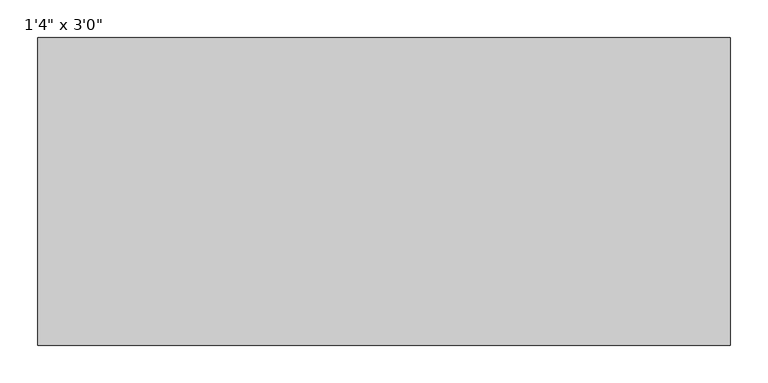
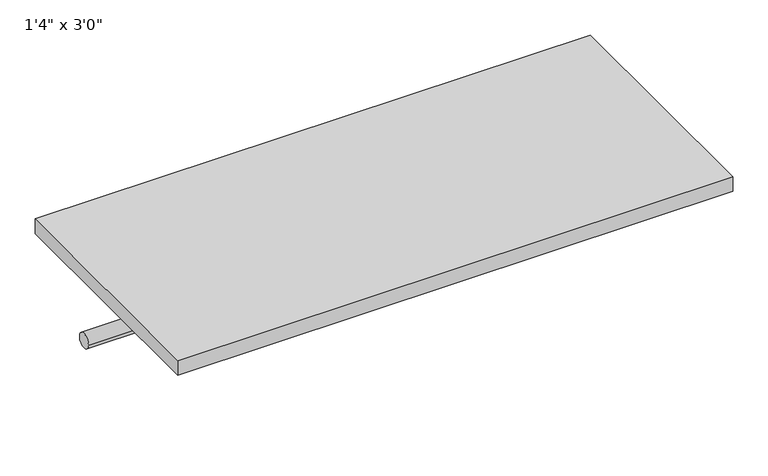
"""IFC4 building model written with IfcOpenShell, lengths in millimetres: furniture geometry."""

from ifc_helpers import new_model, si_unit, point, frame, frame_2d, origin, origin_with_axes, place, context, project, spatial, polyline, circle_curve, trimmed, segment, composite_curve, outline, extrude, source, transform, mapped, element, save


def furniture_75dc9b70(model_context):
    return source(origin(), model_context, "Body", "SweptSolid", [
        extrude(outline(composite_curve([segment(trimmed(circle_curve(frame_2d((-342.9, -101.6)), 12.7), [point((-330.2, -101.6))], [point((-355.6, -101.6))], False, "CARTESIAN"), True, "CONTINUOUS"), segment(trimmed(circle_curve(frame_2d((-342.9, -101.6)), 12.7), [point((-355.6, -101.6))], [point((-330.2, -101.6))], False, "CARTESIAN"), True, "CONTINUOUS")], self_intersect=False)), frame((-438.4622951, 0.0, 0.0), z_axis=(1.0, 0.0, 0.0), x_axis=(0.0, 1.0, 0.0)), (0.0, 0.0, 1.0), 914.4),
        extrude(outline(polyline([(475.9377049, -203.2), (475.9377049, -609.6), (-438.4622951, -609.6), (-438.4622951, -203.2), (475.9377049, -203.2)])), origin_with_axes(), (0.0, 0.0, 1.0), 25.4),
    ])


if __name__ == "__main__":
    model = new_model("IFC4")
    model_context = context("Model", 3, world=origin())
    ifc_project = project(units=[si_unit("LENGTHUNIT", "METRE", prefix="MILLI")], contexts=[model_context])
    site = spatial("IfcSite", under=ifc_project)
    building = spatial("IfcBuilding", under=site)
    placement = place(None, origin())
    furniture_shape = furniture_75dc9b70(model_context)
    element("IfcFurniture", 1, ObjectType="1'4\" x 3'0\"", at=placement, inside=building, context=model_context, shape_type="MappedRepresentation", body=[
        mapped(furniture_shape, transform((0.0, 0.0, 0.0), x_axis=(1.0, 0.0, 0.0), y_axis=(0.0, 1.0, 0.0), z_axis=(0.0, 0.0, 1.0))),
    ])
    save(model, "model.ifc")
